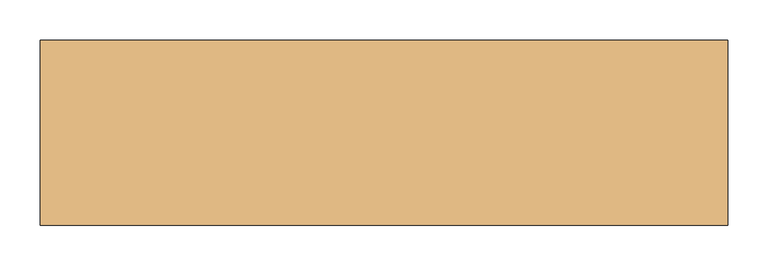
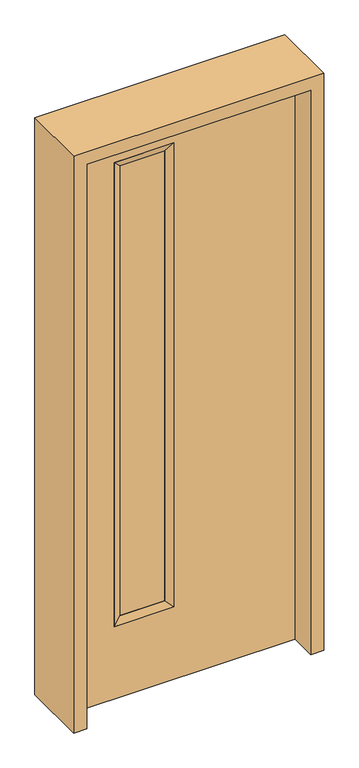
"""IFC4 building model written with IfcOpenShell, lengths in millimetres: door geometry."""

import ifcopenshell
import ifcopenshell.guid

model = None  # the IFC model being written
_history = None  # IfcOwnerHistory: only IFC2X3 demands one
_inside = {}  # id of a spatial element -> (the spatial element, [elements in it])
_under = {}  # id of a project, library or spatial element -> (it, [spatial elements below it])
_declared = {}  # id of a project -> (the project, [libraries it declares])
_typed = {}  # id of a type object -> (the type object, [elements of that type])
_made_of = {}  # id of a material, layer set ... -> (it, [elements and type objects made of it])


def new_model(schema):
    """Start an empty IFC model of exactly this schema.

    Asked for "IFC4X3", IfcOpenShell would pick the latest addendum, in which some entities
    have other attributes; the version numbers below select the first issue.
    IFC2X3 requires an IfcOwnerHistory on every rooted entity: one is made here for all.
    """
    global model, _history
    if schema == "IFC4X3":
        model = ifcopenshell.file(schema_version=(4, 3, 0, 0))
    else:
        model = ifcopenshell.file(schema=schema)
    _inside.clear()
    _under.clear()
    _declared.clear()
    _typed.clear()
    _made_of.clear()
    _history = None
    if model.schema == "IFC2X3":
        org = make("IfcOrganization", Name="unknown")
        user = make(
            "IfcPersonAndOrganization",
            ThePerson=make("IfcPerson", FamilyName="unknown"),
            TheOrganization=org,
        )
        app = make(
            "IfcApplication",
            ApplicationDeveloper=org,
            Version="unknown",
            ApplicationFullName="unknown",
            ApplicationIdentifier="unknown",
        )
        _history = make(
            "IfcOwnerHistory",
            OwningUser=user,
            OwningApplication=app,
            ChangeAction="ADDED",
            CreationDate=0,
        )
    return model


def make(cls, **values):
    """One entity of the class cls with the attributes given. An attribute that is None is left unset."""
    return model.create_entity(
        cls, **{name: value for name, value in values.items() if value is not None}
    )


def rooted(cls, **values):
    """An entity with a GlobalId (a new one), such as an element, a storey or a relation."""
    return make(cls, GlobalId=ifcopenshell.guid.new(), OwnerHistory=_history, **values)


def si_unit(unit_type, name, prefix=None):
    """IfcSIUnit, for example si_unit("LENGTHUNIT", "METRE", prefix="MILLI")."""
    return make("IfcSIUnit", UnitType=unit_type, Prefix=prefix, Name=name)


def assignment(units):
    """IfcUnitAssignment: the units of a project."""
    return None if units is None else make("IfcUnitAssignment", Units=units)


def point(xyz):
    """IfcCartesianPoint."""
    return None if xyz is None else make("IfcCartesianPoint", Coordinates=xyz)


def direction(xyz):
    """IfcDirection."""
    return None if xyz is None else make("IfcDirection", DirectionRatios=xyz)


def frame(location, z_axis=None, x_axis=None):
    """IfcAxis2Placement3D, a coordinate frame: its origin and axes. An axis left out is left unset."""
    return make(
        "IfcAxis2Placement3D",
        Location=point(location),
        Axis=direction(z_axis),
        RefDirection=direction(x_axis),
    )


def origin():
    """The frame at (0, 0, 0) with its axes left unset."""
    return frame((0.0, 0.0, 0.0))


def place(relative_to, where):
    """IfcLocalPlacement: puts the frame where relative to a parent placement (None: the world)."""
    return make(
        "IfcLocalPlacement", PlacementRelTo=relative_to, RelativePlacement=where
    )


def context(
    kind, dimensions, precision=None, world=None, true_north=None, identifier=None
):
    """IfcGeometricRepresentationContext, for example the 3D "Model" context."""
    return make(
        "IfcGeometricRepresentationContext",
        ContextIdentifier=identifier,
        ContextType=kind,
        CoordinateSpaceDimension=dimensions,
        Precision=precision,
        WorldCoordinateSystem=world,
        TrueNorth=true_north,
    )


def project(units=None, contexts=None):
    """IfcProject with its units and contexts."""
    return rooted(
        "IfcProject",
        Name="project",
        RepresentationContexts=contexts,
        UnitsInContext=assignment(units),
    )


def spatial(cls, under=None, at=None, **own):
    """A site, building, storey or space (cls), placed at a placement, below another one or the project."""
    s = rooted(cls, ObjectPlacement=at, **own)
    if under is not None:
        _under.setdefault(under.id(), (under, []))[1].append(s)
    return s


def polyline(points):
    """IfcPolyline through the points."""
    return make("IfcPolyline", Points=[point(p) for p in points])


def outline(outer, holes=None, kind="AREA"):
    """IfcArbitraryClosedProfileDef: a profile drawn as a closed curve; with holes, ...WithVoids."""
    if holes is None:
        return make("IfcArbitraryClosedProfileDef", ProfileType=kind, OuterCurve=outer)
    return make(
        "IfcArbitraryProfileDefWithVoids",
        ProfileType=kind,
        OuterCurve=outer,
        InnerCurves=holes,
    )


def extrude(swept, where, along, depth):
    """IfcExtrudedAreaSolid: the profile swept, set in the frame where, extruded along a direction by depth."""
    return make(
        "IfcExtrudedAreaSolid",
        SweptArea=swept,
        Position=where,
        ExtrudedDirection=direction(along),
        Depth=depth,
    )


def faces_of(points, faces, orient=None, outer=None):
    """IfcFace entities. A face is a list of loops; a loop is a list of indices into points, from 0.

    orient and outer hold one flag for each loop. By default every Orientation is true, the
    first loop of a face is its IfcFaceOuterBound and the others are IfcFaceBound.
    """
    made = []
    for i, loops in enumerate(faces):
        bounds = []
        for j, loop in enumerate(loops):
            is_outer = j == 0 if outer is None else outer[i][j]
            bounds.append(
                make(
                    "IfcFaceOuterBound" if is_outer else "IfcFaceBound",
                    Bound=make("IfcPolyLoop", Polygon=[points[k] for k in loop]),
                    Orientation=True if orient is None else orient[i][j],
                )
            )
        made.append(make("IfcFace", Bounds=bounds))
    return made


def faceted_brep(points, faces, orient=None, outer=None, voids=None):
    """IfcFacetedBrep: a solid bounded by flat faces; with voids (closed shells), ...WithVoids."""
    shared = [point(p) for p in points]
    hull = make("IfcClosedShell", CfsFaces=faces_of(shared, faces, orient, outer))
    if voids is None:
        return make("IfcFacetedBrep", Outer=hull)
    return make(
        "IfcFacetedBrepWithVoids",
        Outer=hull,
        Voids=[
            make(cls, CfsFaces=faces_of(shared, fs, o, b)) for cls, fs, o, b in voids
        ],
    )


def shape(context_of_items, identifier, shape_type, items):
    """IfcShapeRepresentation: the items that make up one representation, for example the "Body"."""
    return make(
        "IfcShapeRepresentation",
        ContextOfItems=context_of_items,
        RepresentationIdentifier=identifier,
        RepresentationType=shape_type,
        Items=items,
    )


def source(mapping_origin, context_of_items, identifier, shape_type, items):
    """IfcRepresentationMap: a shape defined once, which mapped items show again and again."""
    return make(
        "IfcRepresentationMap",
        MappingOrigin=mapping_origin,
        MappedRepresentation=shape(context_of_items, identifier, shape_type, items),
    )


def transform(
    local_origin,
    x_axis=None,
    y_axis=None,
    z_axis=None,
    scale=None,
    scale2=None,
    scale3=None,
    uniform=True,
):
    """IfcCartesianTransformationOperator3D, or its non-uniform kind. x_axis, y_axis, z_axis: its Axis1, 2, 3."""
    if uniform:
        return make(
            "IfcCartesianTransformationOperator3D",
            Axis1=direction(x_axis),
            Axis2=direction(y_axis),
            LocalOrigin=point(local_origin),
            Scale=scale,
            Axis3=direction(z_axis),
        )
    return make(
        "IfcCartesianTransformationOperator3DnonUniform",
        Axis1=direction(x_axis),
        Axis2=direction(y_axis),
        LocalOrigin=point(local_origin),
        Scale=scale,
        Axis3=direction(z_axis),
        Scale2=scale2,
        Scale3=scale3,
    )


def mapped(mapping_source, mapping_target):
    """IfcMappedItem: shows the shape of a source again, moved by a transform."""
    return make(
        "IfcMappedItem", MappingSource=mapping_source, MappingTarget=mapping_target
    )


def made_of(thing, what):
    """Note that an element or type object is made of a material, layer set ...; save() writes the relation."""
    if what is not None:
        _made_of.setdefault(what.id(), (what, []))[1].append(thing)
    return thing


def element(
    cls,
    number,
    at=None,
    inside=None,
    cuts=None,
    type_object=None,
    material=None,
    context=None,
    identifier="Body",
    shape_type=None,
    held_by="IfcProductDefinitionShape",
    body=None,
    shapes=None,
    **own,
):
    """One element of the class cls, such as IfcWall. Its Tag is "e" and its number.

    at: its placement. inside: the storey or other place that contains it. cuts: it is an
    opening in that element (IfcRelVoidsElement). A single representation is given by context,
    identifier, shape_type and body (its items); several are given by shapes. held_by: the class
    of the entity that holds the representations. save() writes the other relations.
    """
    e = rooted(cls, Tag="e%d" % number, ObjectPlacement=at, **own)
    if body is not None:
        shapes = [shape(context, identifier, shape_type, body)]
    if shapes is not None:
        e.Representation = make(held_by, Representations=shapes)
    if inside is not None:
        _inside.setdefault(inside.id(), (inside, []))[1].append(e)
    if cuts is not None:
        rooted(
            "IfcRelVoidsElement", RelatingBuildingElement=cuts, RelatedOpeningElement=e
        )
    if type_object is not None:
        _typed.setdefault(type_object.id(), (type_object, []))[1].append(e)
    return made_of(e, material)


def aggregate(whole, parts):
    """IfcRelAggregates: a whole, such as a stair, and the parts it consists of."""
    return rooted("IfcRelAggregates", RelatingObject=whole, RelatedObjects=parts)


def save(model, path):
    """Write the relations noted so far, then the file.

    IfcRelAggregates (storeys below a building ...), IfcRelContainedInSpatialStructure (elements
    in a storey), IfcRelDefinesByType, IfcRelAssociatesMaterial and IfcRelDeclares: one each for
    every whole, place, type object, material and project.
    """
    for whole, parts in _under.values():
        aggregate(whole, parts)
    for where, things in _inside.values():
        rooted(
            "IfcRelContainedInSpatialStructure",
            RelatedElements=things,
            RelatingStructure=where,
        )
    for kind, things in _typed.values():
        rooted("IfcRelDefinesByType", RelatedObjects=things, RelatingType=kind)
    for what, things in _made_of.values():
        rooted("IfcRelAssociatesMaterial", RelatedObjects=things, RelatingMaterial=what)
    for by, libraries in _declared.values():
        rooted("IfcRelDeclares", RelatingContext=by, RelatedDefinitions=libraries)
    model.write(path)


def door_babc10a6(model_context):
    return source(origin(), model_context, "Body", "SolidModel", [
        faceted_brep([(-31.75, 22.225, 1930.4), (-31.75, -22.225, 1930.4), (-31.75, -22.225, 260.35), (-31.75, 22.225, 260.35), (-57.15, -12.7039749, 1905.0), (-57.15, -12.7039749, 285.75), (-234.95, -22.225, 260.35), (-234.95, 22.225, 260.35), (-57.15, 14.2875, 1905.0), (-57.15, 14.2875, 285.75), (-209.55, 14.2875, 285.75), (-209.55, -12.7039749, 285.75), (-234.95, -22.225, 1930.4), (-234.95, 22.225, 1930.4), (-209.55, 14.2875, 1905.0), (-209.55, -12.7039749, 1905.0)], [[[0, 1, 2, 3]], [[1, 4, 5, 2]], [[3, 2, 6, 7]], [[8, 0, 3, 9]], [[4, 8, 9, 5]], [[5, 9, 10, 11]], [[2, 5, 11, 6]], [[7, 6, 12, 13]], [[9, 3, 7, 10]], [[11, 10, 14, 15]], [[6, 11, 15, 12]], [[10, 7, 13, 14]], [[13, 12, 1, 0]], [[15, 14, 8, 4]], [[12, 15, 4, 1]], [[14, 13, 0, 8]]]),
        extrude(outline(polyline([(2032.0, -381.0), (0.0, -381.0), (0.0, 381.0), (2032.0, 381.0), (2032.0, -381.0)]), holes=[polyline([(1930.4, -31.75), (260.35, -31.75), (260.35, -234.95), (1930.4, -234.95), (1930.4, -31.75)])]), frame((0.0, -22.225, 0.0), z_axis=(0.0, 1.0, 0.0), x_axis=(0.0, 0.0, 1.0)), (0.0, 0.0, 1.0), 44.45),
        extrude(outline(polyline([(-57.15, -12.7039749), (-209.55, -12.7039749), (-209.55, 14.2875), (-57.15, 14.2875), (-57.15, -12.7039749)])), frame((0.0, 0.0, 285.75), z_axis=(0.0, 0.0, 1.0), x_axis=(1.0, 0.0, 0.0)), (0.0, 0.0, 1.0), 1619.25),
        extrude(outline(polyline([(0.0, 381.0), (0.0, 425.45), (2076.45, 425.45), (2076.45, -425.45), (0.0, -425.45), (0.0, -381.0), (2032.0, -381.0), (2032.0, 381.0), (0.0, 381.0)])), frame((0.0, -114.3, 0.0), z_axis=(0.0, 1.0, 0.0), x_axis=(0.0, 0.0, 1.0)), (0.0, 0.0, 1.0), 228.6),
    ])


if __name__ == "__main__":
    model = new_model("IFC4")
    model_context = context("Model", 3, world=origin())
    ifc_project = project(units=[si_unit("LENGTHUNIT", "METRE", prefix="MILLI")], contexts=[model_context])
    site = spatial("IfcSite", under=ifc_project)
    building = spatial("IfcBuilding", under=site)
    placement = place(None, origin())
    door_shape = door_babc10a6(model_context)
    element("IfcDoor", 1, at=placement, inside=building, context=model_context, shape_type="MappedRepresentation", body=[
        mapped(door_shape, transform((0.0, 0.0, 0.0), x_axis=(1.0, 0.0, 0.0), y_axis=(0.0, 1.0, 0.0), z_axis=(0.0, 0.0, 1.0))),
    ])
    save(model, "model.ifc")
